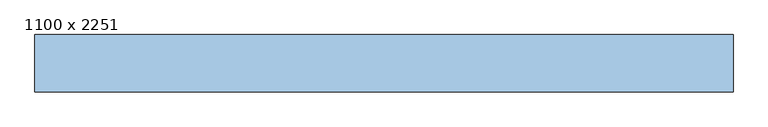
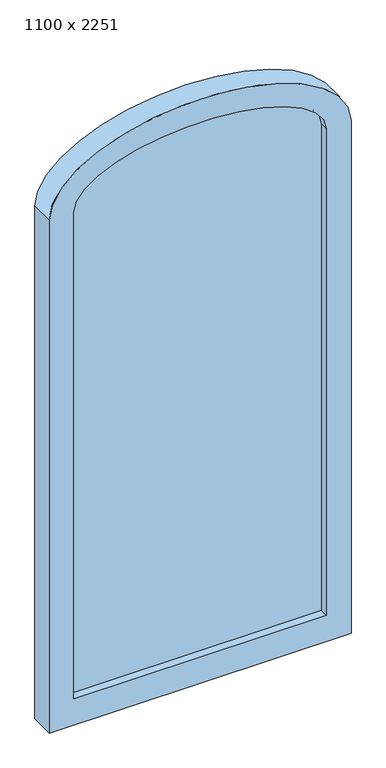
"""IFC4 building model written with IfcOpenShell, lengths in millimetres: window geometry, 1100 x 2251."""

from ifc_helpers import new_model, si_unit, point, frame, origin, place, context, project, spatial, ellipse_curve, trimmed, source, transform, mapped, element, save
from ifc_brep_helpers import plane_surface, extruded_surface, advanced_brep


def window_1100_x_2251_7ef8530a(model_context):
    return source(origin(), model_context, "Body", "AdvancedBrep", [
        advanced_brep(
        [(-550.0, 35.0, 1975.0), (-550.0, 35.0, 0.0), (550.0, 35.0, 0.0), (550.0, 35.0, 1975.0), (-460.0, 35.0, 1975.0), (460.0, 35.0, 1975.0), (460.0, 35.0, 100.0), (-460.0, 35.0, 100.0), (-550.0, 125.0, 1975.0), (-550.0, 125.0, 0.0), (550.0, 125.0, 0.0), (550.0, 125.0, 1975.0), (460.0, 125.0, 1975.0), (460.0, 125.0, 100.0), (-460.0, 125.0, 100.0), (-460.0, 125.0, 1975.0)],
        [
            (0, 1),
            (1, 2),
            (2, 3),
            (3, 0, ellipse_curve(frame((0.0, 35.0, 1975.0), z_axis=(0.0, -1.0, 0.0), x_axis=(-1.0, 0.0, 0.0)), 550.0, 275.0)),
            (4, 5, ellipse_curve(frame((0.0, 35.0, 1975.0), z_axis=(0.0, 1.0, 0.0), x_axis=(-1.0, 0.0, 0.0)), 460.0, 185.0)),
            (5, 6),
            (6, 7),
            (7, 4),
            (0, 8),
            (8, 9),
            (9, 1),
            (9, 10),
            (10, 2),
            (10, 11),
            (11, 3),
            (5, 12),
            (12, 13),
            (13, 6),
            (13, 14),
            (14, 7),
            (14, 15),
            (15, 4),
            (8, 11, ellipse_curve(frame((0.0, 125.0, 1975.0), z_axis=(0.0, 1.0, 0.0), x_axis=(-1.0, 0.0, 0.0)), 550.0, 275.0)),
            (12, 15, ellipse_curve(frame((0.0, 125.0, 1975.0), z_axis=(0.0, -1.0, 0.0), x_axis=(-1.0, 0.0, 0.0)), 460.0, 185.0)),
        ],
        [
            plane_surface(frame((-550.0, 35.0, 0.0), z_axis=(0.0, -1.0, 0.0), x_axis=(0.0, 0.0, -1.0))),
            plane_surface(frame((-550.0, 35.0, 1975.0), z_axis=(-1.0, 0.0, 0.0), x_axis=(0.0, 1.0, 0.0))),
            plane_surface(frame((-550.0, 35.0, 0.0), z_axis=(0.0, 0.0, -1.0), x_axis=(0.0, 1.0, 0.0))),
            plane_surface(frame((550.0, 35.0, 0.0), z_axis=(1.0, 0.0, 0.0), x_axis=(0.0, 1.0, 0.0))),
            plane_surface(frame((460.0, 35.0, 1975.0), z_axis=(-1.0, 0.0, 0.0), x_axis=(0.0, 1.0, 0.0))),
            plane_surface(frame((460.0, 35.0, 100.0), z_axis=(0.0, 0.0, 1.0), x_axis=(0.0, 1.0, 0.0))),
            plane_surface(frame((-460.0, 35.0, 100.0), z_axis=(1.0, 0.0, 0.0), x_axis=(0.0, 1.0, 0.0))),
            plane_surface(frame((-550.0, 125.0, 0.0), z_axis=(0.0, 1.0, 0.0), x_axis=(0.0, 0.0, 1.0))),
            extruded_surface(trimmed(ellipse_curve(frame((0.0, 215.0, 1975.0), z_axis=(0.0, -1.0, 0.0), x_axis=(-1.0, 0.0, 0.0)), 550.0, 275.0), [point((550.0, 215.0, 1975.0))], [point((-550.0, 215.0, 1975.0))], True, "CARTESIAN"), (0.0, -90.0, 0.0), 90.0),
            extruded_surface(trimmed(ellipse_curve(frame((0.0, 215.0, 1975.0), z_axis=(0.0, 1.0, 0.0), x_axis=(-1.0, 0.0, 0.0)), 460.0, 185.0), [point((-460.0, 215.0, 1975.0))], [point((460.0, 215.0, 1975.0))], True, "CARTESIAN"), (0.0, -90.0, 0.0), 90.0),
        ],
        [
            (0, [[1, 2, 3, 4], [5, 6, 7, 8]]),
            (1, [[-1, 9, 10, 11]]),
            (2, [[-2, -11, 12, 13]]),
            (3, [[-3, -13, 14, 15]]),
            (4, [[-6, 16, 17, 18]]),
            (5, [[-7, -18, 19, 20]]),
            (6, [[-8, -20, 21, 22]]),
            (7, [[23, -14, -12, -10], [-21, -19, -17, 24]]),
            (8, [[-4, -15, -23, -9]]),
            (9, [[-5, -22, -24, -16]]),
        ],
    ),
        advanced_brep(
        [(-460.0, 66.0, 1975.0), (-460.0, 66.0, 100.0), (460.0, 66.0, 100.0), (460.0, 66.0, 1975.0), (-460.0, 110.0, 1975.0), (-460.0, 110.0, 100.0), (460.0, 110.0, 100.0), (460.0, 110.0, 1975.0)],
        [
            (0, 1),
            (1, 2),
            (2, 3),
            (3, 0, ellipse_curve(frame((0.0, 66.0, 1975.0), z_axis=(0.0, -1.0, 0.0), x_axis=(-1.0, 0.0, 0.0)), 460.0, 185.0)),
            (0, 4),
            (4, 5),
            (5, 1),
            (5, 6),
            (6, 2),
            (6, 7),
            (7, 3),
            (4, 7, ellipse_curve(frame((0.0, 110.0, 1975.0), z_axis=(0.0, 1.0, 0.0), x_axis=(-1.0, 0.0, 0.0)), 460.0, 185.0)),
        ],
        [
            plane_surface(frame((-460.0, 66.0, 100.0), z_axis=(0.0, -1.0, 0.0), x_axis=(0.0, 0.0, -1.0))),
            plane_surface(frame((-460.0, 66.0, 1975.0), z_axis=(-1.0, 0.0, 0.0), x_axis=(0.0, 1.0, 0.0))),
            plane_surface(frame((-460.0, 66.0, 100.0), z_axis=(0.0, 0.0, -1.0), x_axis=(0.0, 1.0, 0.0))),
            plane_surface(frame((460.0, 66.0, 100.0), z_axis=(1.0, 0.0, 0.0), x_axis=(0.0, 1.0, 0.0))),
            plane_surface(frame((-460.0, 110.0, 100.0), z_axis=(0.0, 1.0, 0.0), x_axis=(0.0, 0.0, 1.0))),
            extruded_surface(trimmed(ellipse_curve(frame((0.0, 154.0, 1975.0), z_axis=(0.0, -1.0, 0.0), x_axis=(-1.0, 0.0, 0.0)), 460.0, 185.0), [point((460.0, 154.0, 1975.0))], [point((-460.0, 154.0, 1975.0))], True, "CARTESIAN"), (0.0, -44.0, 0.0), 44.0),
        ],
        [
            (0, [[1, 2, 3, 4]]),
            (1, [[-1, 5, 6, 7]]),
            (2, [[-2, -7, 8, 9]]),
            (3, [[-3, -9, 10, 11]]),
            (4, [[12, -10, -8, -6]]),
            (5, [[-4, -11, -12, -5]]),
        ],
    ),
    ])


if __name__ == "__main__":
    model = new_model("IFC4")
    model_context = context("Model", 3, world=origin())
    ifc_project = project(units=[si_unit("LENGTHUNIT", "METRE", prefix="MILLI")], contexts=[model_context])
    site = spatial("IfcSite", under=ifc_project)
    building = spatial("IfcBuilding", under=site)
    placement = place(None, origin())
    window_1100_x_2251_shape = window_1100_x_2251_7ef8530a(model_context)
    element("IfcWindow", 1, ObjectType="1100 x 2251", at=placement, inside=building, context=model_context, shape_type="MappedRepresentation", body=[
        mapped(window_1100_x_2251_shape, transform((0.0, 0.0, 0.0), x_axis=(1.0, 0.0, 0.0), y_axis=(0.0, 1.0, 0.0), z_axis=(0.0, 0.0, 1.0))),
    ])
    save(model, "model.ifc")
